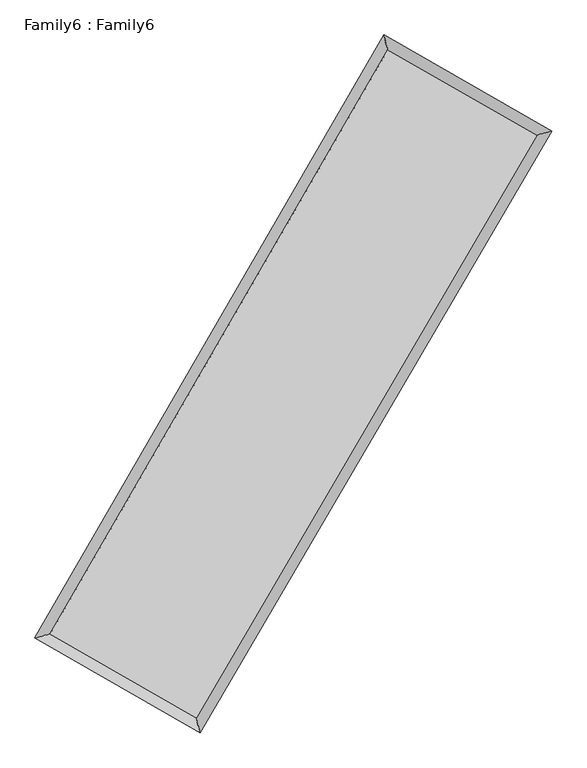
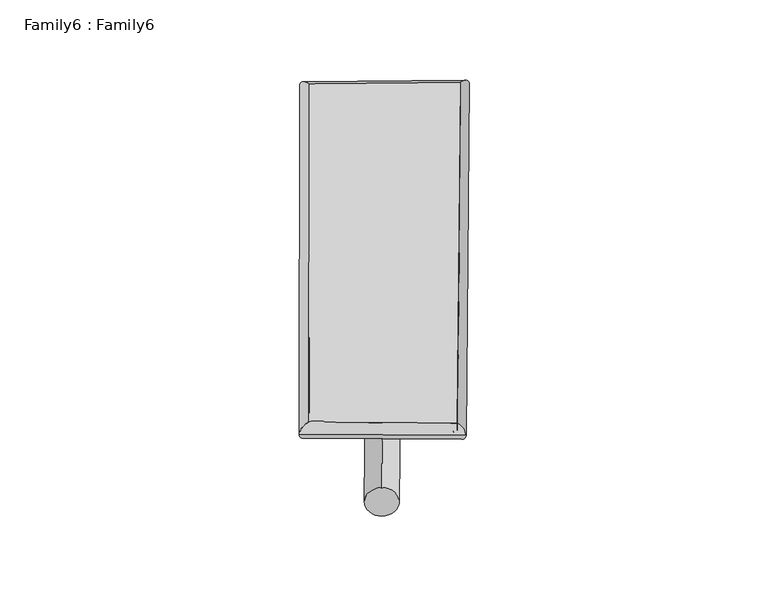
"""IFC4 building model written with IfcOpenShell, lengths in millimetres: plate geometry, Family6 : Family6."""

from ifc_helpers import new_model, si_unit, point, frame, origin, origin_2d, place, context, project, spatial, circle_curve, ellipse_curve, trimmed, segment, composite_curve, outline, extrude, source, transform, mapped, element, save
from ifc_brep_helpers import plane_surface, cylinder_surface, spline_surface, advanced_brep


def family6_family6_f1a4fd88(model_context):
    return source(origin(), model_context, "Body", "SolidModel", [
        extrude(outline(composite_curve([segment(trimmed(circle_curve(origin_2d(), 76.2), [point((-75.4341514, -10.7763073))], [point((75.4341514, 10.7763073))], False, "CARTESIAN"), True, "CONTINUOUS"), segment(trimmed(circle_curve(origin_2d(), 76.2), [point((75.4341514, 10.7763073))], [point((-75.4341514, -10.7763073))], False, "CARTESIAN"), True, "CONTINUOUS")], self_intersect=False)), frame((9144.0, 9144.0, 0.0), z_axis=(0.6745651241404541, 0.6853510729427202, 0.2743279061809718), x_axis=(-0.677610805194319, 0.7223011839796232, -0.13829170729129586)), (0.0, 0.0, 1.0), 5595.2601321),
        extrude(outline(composite_curve([segment(trimmed(circle_curve(origin_2d(), 76.2), [point((-53.8815367, 53.8815367))], [point((53.8815367, -53.8815367))], False, "CARTESIAN"), True, "CONTINUOUS"), segment(trimmed(circle_curve(origin_2d(), 76.2), [point((53.8815367, -53.8815367))], [point((-53.8815367, 53.8815367))], False, "CARTESIAN"), True, "CONTINUOUS")], self_intersect=False)), frame((9144.0, 9144.0, 0.0), z_axis=(-0.671555629132944, -0.6881566577576602, 0.27468791630441713), x_axis=(0.643095560618905, -0.35719684566325244, 0.6773761978106988)), (0.0, 0.0, 1.0), 5588.0675687),
        extrude(outline(composite_curve([segment(trimmed(circle_curve(origin_2d(), 76.2), [point((-53.8815367, -53.8815367))], [point((53.8815367, 53.8815367))], False, "CARTESIAN"), True, "CONTINUOUS"), segment(trimmed(circle_curve(origin_2d(), 76.2), [point((53.8815367, 53.8815367))], [point((-53.8815367, -53.8815367))], False, "CARTESIAN"), True, "CONTINUOUS")], self_intersect=False)), frame((9144.0, 9144.0, 0.0), z_axis=(0.26171375178671813, 0.9262810654551261, 0.2711259853002594), x_axis=(-0.8420154772607307, 0.35642954996107434, -0.40492951481452916)), (0.0, 0.0, 1.0), 5570.9156663),
        extrude(outline(composite_curve([segment(trimmed(circle_curve(origin_2d(), 76.2), [point((-75.4341514, 10.7763073))], [point((75.4341514, -10.7763073))], False, "CARTESIAN"), True, "CONTINUOUS"), segment(trimmed(circle_curve(origin_2d(), 76.2), [point((75.4341514, -10.7763073))], [point((-75.4341514, 10.7763073))], False, "CARTESIAN"), True, "CONTINUOUS")], self_intersect=False)), frame((9144.0, 9144.0, 0.0), z_axis=(-0.2656235137467692, -0.9251197733917281, 0.27128869092621166), x_axis=(0.8814164914826774, -0.11903344230718829, 0.457095185005124)), (0.0, 0.0, 1.0), 5566.4632945),
        advanced_brep(
        [(5182.8051055, 5242.462171, 1533.1556972), (5182.7876955, 5242.4353183, 1537.3991366), (5599.7984311, 5354.6060263, 1536.793576), (10657.9253, 14096.6398439, 1512.9578407), (10546.0451798, 14511.8275539, 1507.8821574), (5599.815841, 5354.632879, 1532.5501366), (12709.1643953, 12922.8479335, 1534.6676322), (13127.5702959, 13034.5871363, 1535.2043609), (7610.1320178, 4201.7390191, 1510.5773607), (7720.7009033, 3786.9704576, 1509.6597198)],
        [
            (0, 1, ellipse_curve(frame((5391.3017683, 5298.5340986, 1534.9746366), z_axis=(-0.2597443582869178, 0.9656642353146228, 0.005045093888321548), x_axis=(-0.9656318529704153, -0.25977930790015835, 0.008356776641554566)), 215.9431805, 152.4)),
            (1, 2, ellipse_curve(frame((5391.3017683, 5298.5340986, 1534.9746366), z_axis=(-0.2597443582869178, 0.9656642353146228, 0.005045093888321548), x_axis=(-0.9656318529704153, -0.25977930790015835, 0.008356776641554566)), 215.9431805, 152.4)),
            (2, 3),
            (3, 4, ellipse_curve(frame((10601.9852399, 14304.2336989, 1510.419999), z_axis=(-0.965532063954808, -0.2602395987910632, -0.0048150489338171475), x_axis=(0.26019585432324016, -0.9655211791765689, 0.008183517244257716)), 215.0152079, 152.4)),
            (4, 0),
            (2, 5, ellipse_curve(frame((5391.3017683, 5298.5340986, 1534.9746366), z_axis=(-0.2597443582869178, 0.9656642353146228, 0.005045093888321548), x_axis=(-0.9656318529704153, -0.25977930790015835, 0.008356776641554566)), 215.9431805, 152.4)),
            (5, 0, ellipse_curve(frame((5391.3017683, 5298.5340986, 1534.9746366), z_axis=(-0.2597443582869178, 0.9656642353146228, 0.005045093888321548), x_axis=(-0.9656318529704153, -0.25977930790015835, 0.008356776641554566)), 215.9431805, 152.4)),
            (4, 3, ellipse_curve(frame((10601.9852399, 14304.2336989, 1510.419999), z_axis=(-0.965532063954808, -0.2602395987910632, -0.0048150489338171475), x_axis=(0.26019585432324016, -0.9655211791765689, 0.008183517244257716)), 215.0152079, 152.4)),
            (3, 6),
            (6, 7, ellipse_curve(frame((12918.3673456, 12978.7175349, 1534.9359966), z_axis=(-0.2580080246576271, 0.9661306918788346, -0.004831710048573487), x_axis=(-0.9660997806817716, -0.25804049601276874, -0.008143474941149803)), 216.5401487, 152.4)),
            (7, 4),
            (7, 6, ellipse_curve(frame((12918.3673456, 12978.7175349, 1534.9359966), z_axis=(-0.2580080246576271, 0.9661306918788346, -0.004831710048573487), x_axis=(-0.9660997806817716, -0.25804049601276874, -0.008143474941149803)), 216.5401487, 152.4)),
            (6, 8),
            (8, 9, ellipse_curve(frame((7665.4164606, 3994.3547384, 1510.1185403), z_axis=(0.9662410372923459, 0.2575913172720984, -0.004997110989029444), x_axis=(-0.25754470665086177, 0.9662296486546897, 0.00842556447702112)), 214.6313378, 152.4)),
            (9, 7),
            (9, 8, ellipse_curve(frame((7665.4164606, 3994.3547384, 1510.1185403), z_axis=(0.9662410372923459, 0.2575913172720984, -0.004997110989029444), x_axis=(-0.25754470665086177, 0.9662296486546897, 0.00842556447702112)), 214.6313378, 152.4)),
            (8, 5),
            (1, 9),
        ],
        [
            cylinder_surface(frame((5391.3017683, 5298.5340986, 1534.9746366), z_axis=(-0.5008086396269645, -0.8655548145032392, 0.0023599926382118696), x_axis=(-0.865485580370532, 0.5007295807575539, -0.014303745140617847)), 152.4),
            cylinder_surface(frame((10601.9852399, 14304.2336989, 1510.419999), z_axis=(-0.8679046526118024, 0.496645887156748, -0.00918568152471176), x_axis=(0.496712713065523, 0.8678825222203682, -0.0075105461518747705)), 152.4),
            cylinder_surface(frame((12918.3673456, 12978.7175349, 1534.9359966), z_axis=(0.5047348367910157, 0.8632711382692807, 0.002384609151988545), x_axis=(0.8632741900853534, -0.5047348367910156, -0.0006459582217632816)), 152.4),
            cylinder_surface(frame((7665.4164606, 3994.3547384, 1510.1185403), z_axis=(0.8674332313865921, -0.4974632636720043, -0.009481053897805122), x_axis=(-0.49742289555839314, -0.8674846488684235, 0.006391162017369583)), 152.4),
        ],
        [
            (0, [[1, 2, 3, 4, 5]]),
            (0, [[6, 7, -5, 8, -3]]),
            (1, [[-4, 9, 10, 11]]),
            (1, [[-8, -11, 12, -9]]),
            (2, [[-10, 13, 14, 15]]),
            (2, [[-12, -15, 16, -13]]),
            (3, [[-14, 17, -6, -2, 18]]),
            (3, [[-16, -18, -1, -7, -17]]),
        ],
    ),
        extrude(outline(composite_curve([segment(trimmed(circle_curve(origin_2d(), 304.8), [point((0.0, 304.8))], [point((0.0, -304.8))], False, "CARTESIAN"), True, "CONTINUOUS"), segment(trimmed(circle_curve(origin_2d(), 304.8), [point((0.0, -304.8))], [point((0.0, 304.8))], False, "CARTESIAN"), True, "CONTINUOUS")], self_intersect=False)), frame((11783.9760932, 13654.9606754, -0.0042946), z_axis=(-0.5050956590671295, -0.8630633668456025, 8.216715247090112e-07), x_axis=(-0.8630633668459649, 0.5050956590671295, -2.2276360949132726e-07)), (0.0, 0.0, 1.0), 10453.3707459),
        advanced_brep(
        [(5391.3017683, 5298.5340986, 1534.9746366), (7665.4164606, 3994.3547384, 1510.1185403), (7665.4129672, 3994.3544936, 1662.5185402), (5391.2982749, 5298.5338539, 1687.3746366), (12918.3673456, 12978.7175349, 1534.9359966), (12918.3638522, 12978.7172902, 1687.3359965), (10601.9852399, 14304.2336989, 1510.419999), (10601.9817465, 14304.2334542, 1662.819999)],
        [
            (0, 1),
            (1, 2),
            (2, 3),
            (3, 0),
            (1, 4),
            (4, 5),
            (5, 2),
            (4, 6),
            (6, 7),
            (7, 5),
            (6, 0),
            (3, 7),
        ],
        [
            plane_surface(frame((6528.3591144, 4646.4444185, 1522.5465884), z_axis=(-0.49748572897147325, -0.8674721605365608, -1.2796606581511397e-05), x_axis=(0.8674332313865919, -0.49746326367200455, -0.00948105389780512))),
            plane_surface(frame((10291.8919031, 8486.5361366, 1522.5272684), z_axis=(0.8632735697180064, -0.5047363108259296, 1.897792023021678e-05), x_axis=(0.5047348367910156, 0.8632711382692806, 0.0023846091519885444))),
            plane_surface(frame((11760.1762927, 13641.4756169, 1522.6779978), z_axis=(0.49666673924066457, 0.8679413286442544, 1.2778586638067732e-05), x_axis=(-0.8679046526118022, 0.4966458871567484, -0.00918568152471176))),
            plane_surface(frame((7996.6435041, 9801.3838988, 1522.6973178), z_axis=(-0.8655572472380212, 0.5008099952989638, -1.9036572721022786e-05), x_axis=(-0.500808639626965, -0.8655548145032389, 0.002359992638211865))),
            spline_surface(1, 1, [[(7665.4129672, 3994.3544936, 1662.5185402), (5391.2982749, 5298.5338539, 1687.3746366)], [(12918.3638522, 12978.7172902, 1687.3359965), (10601.9817465, 14304.2334542, 1662.819999)]], [2, 2], [2, 2], [0.0, 1.0], [0.0, 1.0]),
            spline_surface(1, 1, [[(10601.9852399, 14304.2336989, 1510.419999), (5391.3017683, 5298.5340986, 1534.9746366)], [(12918.3673456, 12978.7175349, 1534.9359966), (7665.4164606, 3994.3547384, 1510.1185403)]], [2, 2], [2, 2], [0.0, 1.0], [0.0, 1.0]),
        ],
        [
            (0, [[1, 2, 3, 4]]),
            (1, [[5, 6, 7, -2]]),
            (2, [[8, 9, 10, -6]]),
            (3, [[11, -4, 12, -9]]),
            (4, [[-3, -7, -10, -12]]),
            (5, [[-11, -8, -5, -1]]),
        ],
    ),
    ])


if __name__ == "__main__":
    model = new_model("IFC4")
    model_context = context("Model", 3, world=origin())
    ifc_project = project(units=[si_unit("LENGTHUNIT", "METRE", prefix="MILLI")], contexts=[model_context])
    site = spatial("IfcSite", under=ifc_project)
    building = spatial("IfcBuilding", under=site)
    placement = place(None, origin())
    family6_family6_shape = family6_family6_f1a4fd88(model_context)
    element("IfcPlate", 1, ObjectType="Family6 : Family6", at=placement, inside=building, context=model_context, shape_type="MappedRepresentation", body=[
        mapped(family6_family6_shape, transform((0.0, 0.0, 0.0), x_axis=(1.0, 0.0, 0.0), y_axis=(0.0, 1.0, 0.0), z_axis=(0.0, 0.0, 1.0))),
    ])
    save(model, "model.ifc")
